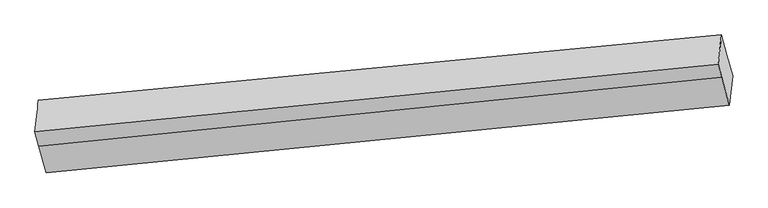
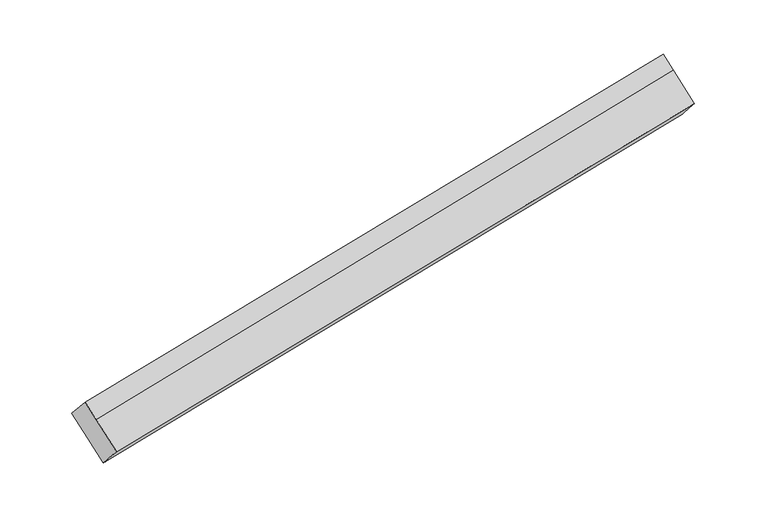
"""IFC4 building model written with IfcOpenShell, lengths in millimetres: proxy geometry."""

from ifc_helpers import new_model, si_unit, frame, origin, place, context, project, spatial, source, transform, mapped, element, save
from ifc_brep_helpers import plane_surface, spline_surface, advanced_brep


def generic_models_3ec2350b(model_context):
    return source(origin(), model_context, "Body", "AdvancedBrep", [
        advanced_brep(
        [(-5270.6161457, -1780.6410062, 1200.3001005), (-5311.2242014, -1632.0309647, 1334.8432777), (-386.4077578, -1160.6324979, 2285.2130684), (-346.0507511, -1308.3237957, 2151.50167), (-5295.8580764, -2007.7844043, 1443.5734106), (-369.6219561, -1518.7345425, 2376.7971449), (-5348.2480773, -1816.0569236, 1617.1526933), (-424.3535843, -1318.4375963, 2558.1347401), (-5377.0741878, -1710.5643213, 1712.659765), (-450.3359695, -1223.3519469, 2644.2199417), (-5351.832257, -1483.4209232, 1469.386455), (-426.7647646, -1012.9412001, 2418.9244668)],
        [
            (0, 1),
            (1, 2),
            (2, 3),
            (3, 0),
            (4, 0),
            (3, 5),
            (5, 4),
            (6, 4),
            (5, 7),
            (7, 6),
            (8, 6),
            (7, 9),
            (9, 8),
            (10, 8),
            (9, 11),
            (11, 10),
            (1, 10),
            (11, 2),
        ],
        [
            plane_surface(frame((-5290.9201735, -1706.3359855, 1267.5716891), z_axis=(0.0755142105034923, 0.6804952163394264, -0.7288510578651799), x_axis=(-0.1985354325437295, 0.7265641844155305, 0.6577903677838931))),
            spline_surface(1, 1, [[(-5295.8580764, -2007.7844043, 1443.5734106), (-369.6219561, -1518.7345425, 2376.7971449)], [(-5270.6161457, -1780.6410062, 1200.3001005), (-346.0507511, -1308.3237957, 2151.50167)]], [2, 2], [2, 2], [0.0, 1.0], [0.0, 1.0]),
            plane_surface(frame((-5322.0530769, -1911.9206639, 1530.3630519), z_axis=(-0.07073843457575706, -0.6800227384082133, 0.7297706140435953), x_axis=(0.19853543254372882, -0.72656418441553, -0.6577903677838938))),
            plane_surface(frame((-5362.6611326, -1763.3106225, 1664.9062292), z_axis=(-0.07073843457575743, -0.6800227384082119, 0.7297706140435968), x_axis=(0.19853543254372957, -0.7265641844155313, -0.6577903677838922))),
            spline_surface(1, 1, [[(-5351.832257, -1483.4209232, 1469.386455), (-426.7647646, -1012.9412001, 2418.9244668)], [(-5377.0741878, -1710.5643213, 1712.659765), (-450.3359695, -1223.3519469, 2644.2199417)]], [2, 2], [2, 2], [0.0, 1.0], [0.0, 1.0]),
            plane_surface(frame((-5331.5282292, -1557.725944, 1402.1148663), z_axis=(0.07551421050349226, 0.6804952163394263, -0.7288510578651799), x_axis=(-0.1985354325437295, 0.7265641844155305, 0.6577903677838931))),
            plane_surface(frame((-398.1933603, -1265.8378713, 2397.8608058), z_axis=(0.9771239009840686, 0.09452464768055435, 0.190509771682566), x_axis=(0.19853543254372907, -0.7265641844155304, -0.6577903677838933))),
            plane_surface(frame((-5323.8451667, -1745.6026637, 1456.4799328), z_axis=(-0.9771718548343824, -0.09495443315990171, -0.19004952444774653), x_axis=(0.19853543254372716, -0.7265641844155307, -0.6577903677838935))),
        ],
        [
            (0, [[1, 2, 3, 4]]),
            (1, [[5, -4, 6, 7]]),
            (2, [[8, -7, 9, 10]]),
            (3, [[11, -10, 12, 13]]),
            (4, [[14, -13, 15, 16]]),
            (5, [[17, -16, 18, -2]]),
            (6, [[-12, -9, -6, -3, -18, -15]]),
            (7, [[-1, -5, -8, -11, -14, -17]]),
        ],
    ),
    ])


if __name__ == "__main__":
    model = new_model("IFC4")
    model_context = context("Model", 3, world=origin())
    ifc_project = project(units=[si_unit("LENGTHUNIT", "METRE", prefix="MILLI")], contexts=[model_context])
    site = spatial("IfcSite", under=ifc_project)
    building = spatial("IfcBuilding", under=site)
    placement = place(None, origin())
    generic_models_shape = generic_models_3ec2350b(model_context)
    element("IfcBuildingElementProxy", 1, Name="Generic Models", at=placement, inside=building, context=model_context, shape_type="MappedRepresentation", body=[
        mapped(generic_models_shape, transform((0.0, 0.0, 0.0), x_axis=(1.0, 0.0, 0.0), y_axis=(0.0, 1.0, 0.0), z_axis=(0.0, 0.0, 1.0))),
    ])
    save(model, "model.ifc")
